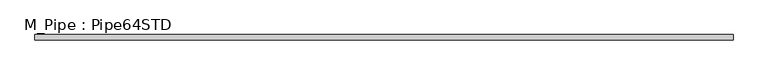
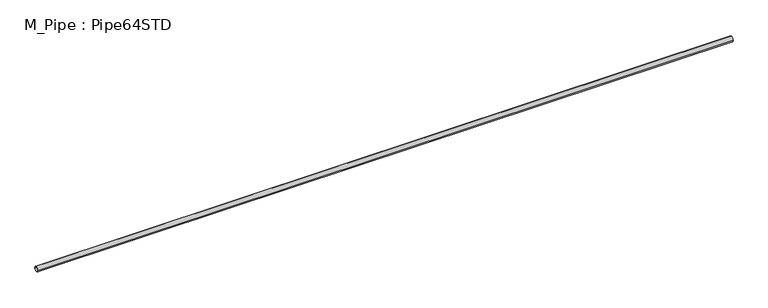
"""IFC4 building model written with IfcOpenShell, lengths in millimetres: member geometry, M_Pipe : Pipe64STD."""

from ifc_helpers import new_model, si_unit, point, frame, origin, origin_2d, place, context, project, spatial, circle_curve, trimmed, segment, composite_curve, outline, extrude, source, transform, mapped, element, save


def m_pipe_pipe64std_8bef4a2d(model_context):
    return source(origin(), model_context, "Body", "SweptSolid", [
        extrude(outline(composite_curve([segment(trimmed(circle_curve(origin_2d(), 36.6), [point((-36.6, 0.0))], [point((36.6, 0.0))], False, "CARTESIAN"), True, "CONTINUOUS"), segment(trimmed(circle_curve(origin_2d(), 36.6), [point((36.6, 0.0))], [point((-36.6, 0.0))], False, "CARTESIAN"), True, "CONTINUOUS")], self_intersect=False), holes=[composite_curve([segment(trimmed(circle_curve(origin_2d(), 31.44), [point((31.44, 0.0))], [point((-31.44, 0.0))], True, "CARTESIAN"), True, "CONTINUOUS"), segment(trimmed(circle_curve(origin_2d(), 31.44), [point((-31.44, 0.0))], [point((31.44, 0.0))], True, "CARTESIAN"), True, "CONTINUOUS")], self_intersect=False)]), frame((-4926.6, 0.0, 0.0), z_axis=(1.0, 0.0, 0.0), x_axis=(0.0, 1.0, 0.0)), (0.0, 0.0, 1.0), 9841.6),
    ])


if __name__ == "__main__":
    model = new_model("IFC4")
    model_context = context("Model", 3, world=origin())
    ifc_project = project(units=[si_unit("LENGTHUNIT", "METRE", prefix="MILLI")], contexts=[model_context])
    site = spatial("IfcSite", under=ifc_project)
    building = spatial("IfcBuilding", under=site)
    placement = place(None, origin())
    m_pipe_pipe64std_shape = m_pipe_pipe64std_8bef4a2d(model_context)
    element("IfcMember", 1, ObjectType="M_Pipe : Pipe64STD", at=placement, inside=building, context=model_context, shape_type="MappedRepresentation", body=[
        mapped(m_pipe_pipe64std_shape, transform((0.0, 0.0, 0.0), x_axis=(1.0, 0.0, 0.0), y_axis=(0.0, 1.0, 0.0), z_axis=(0.0, 0.0, 1.0))),
    ])
    save(model, "model.ifc")
